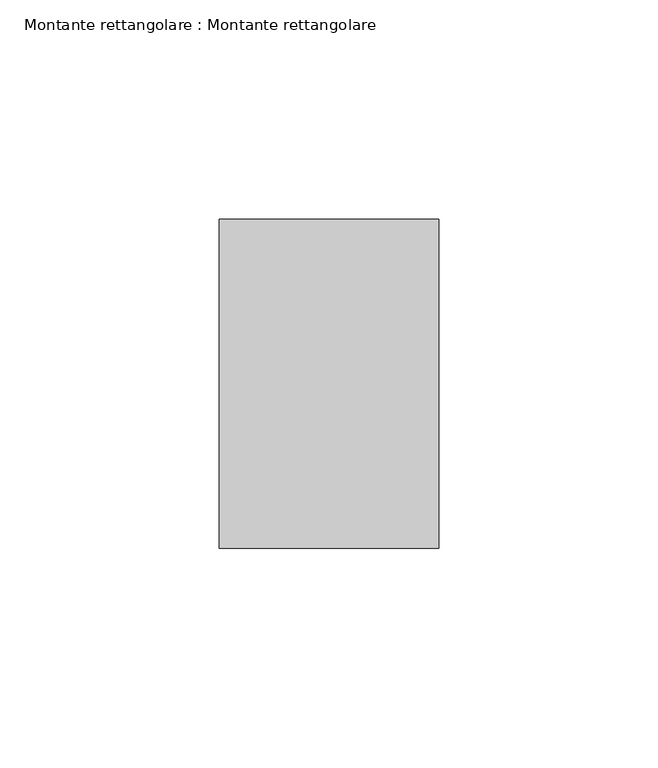
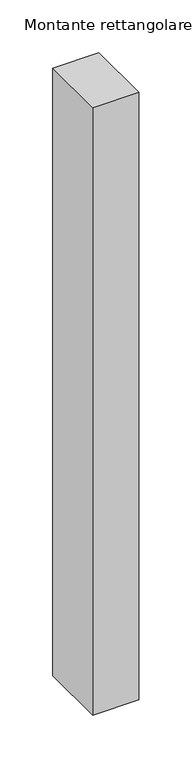
"""IFC4 building model written with IfcOpenShell, lengths in millimetres: member geometry, Montante rettangolare : Montante rettangolare."""

from ifc_helpers import new_model, si_unit, frame, origin, place, context, project, spatial, polyline, outline, extrude, source, transform, mapped, element, save


def montante_rettangolare_montante_rettangolare_b137ec6e(model_context):
    return source(origin(), model_context, "Body", "SweptSolid", [
        extrude(outline(polyline([(25.0, 37.5), (25.0, -37.5), (-25.0, -37.5), (-25.0, 37.5), (25.0, 37.5)])), frame((0.0, 0.0, -700.0000917), z_axis=(0.0, 0.0, 1.0), x_axis=(1.0, 0.0, 0.0)), (0.0, 0.0, 1.0), 700.0000917),
    ])


if __name__ == "__main__":
    model = new_model("IFC4")
    model_context = context("Model", 3, world=origin())
    ifc_project = project(units=[si_unit("LENGTHUNIT", "METRE", prefix="MILLI")], contexts=[model_context])
    site = spatial("IfcSite", under=ifc_project)
    building = spatial("IfcBuilding", under=site)
    placement = place(None, origin())
    montante_rettangolare_montante_rettangolare_shape = montante_rettangolare_montante_rettangolare_b137ec6e(model_context)
    element("IfcMember", 1, ObjectType="Montante rettangolare : Montante rettangolare", at=placement, inside=building, context=model_context, shape_type="MappedRepresentation", body=[
        mapped(montante_rettangolare_montante_rettangolare_shape, transform((0.0, 0.0, 0.0), x_axis=(1.0, 0.0, 0.0), y_axis=(0.0, 1.0, 0.0), z_axis=(0.0, 0.0, 1.0))),
    ])
    save(model, "model.ifc")
